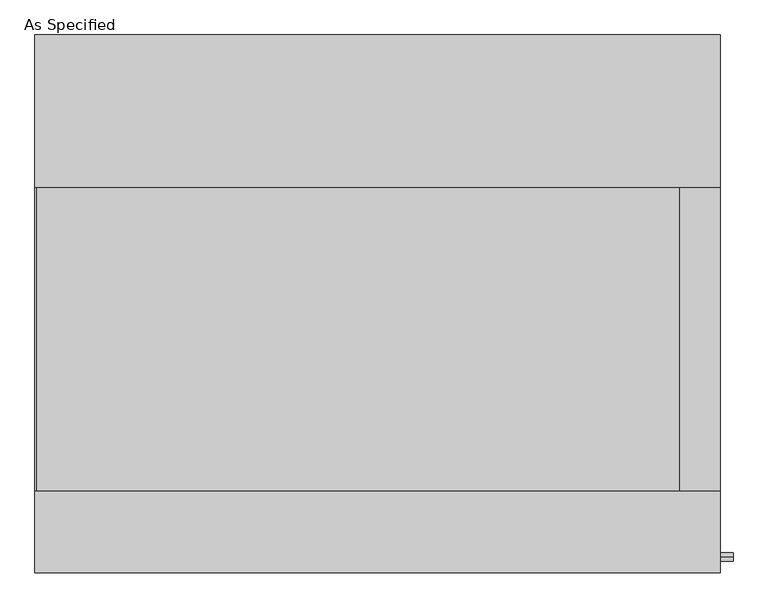
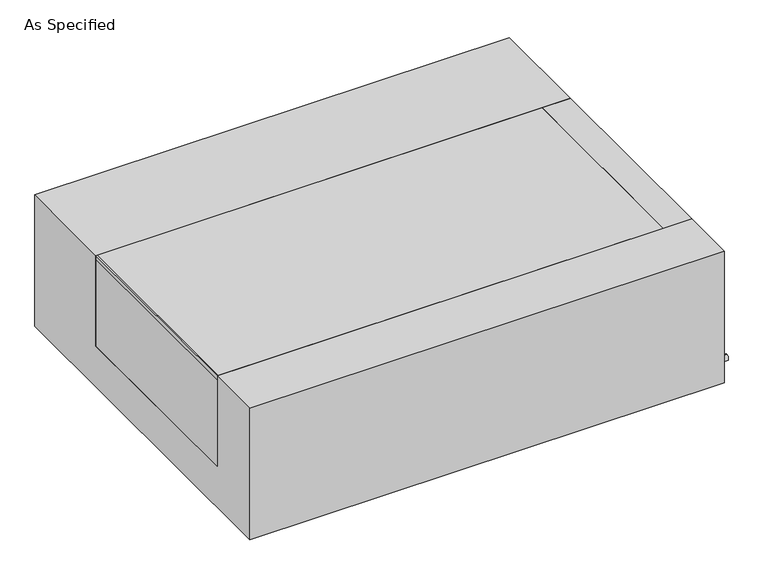
"""IFC4 building model written with IfcOpenShell, lengths in millimetres: proxy geometry, As Specified."""

from ifc_helpers import new_model, si_unit, point, frame, frame_2d, origin, place, context, project, spatial, polyline, circle_curve, trimmed, segment, composite_curve, outline, extrude, source, transform, mapped, element, save


def as_specified_a298c3b1(model_context):
    return source(origin(), model_context, "Body", "SweptSolid", [
        extrude(outline(composite_curve([segment(trimmed(circle_curve(frame_2d((-636.5875, -466.725)), 10.5), [point((-636.5875, -456.225))], [point((-636.5875, -477.225))], False, "CARTESIAN"), True, "CONTINUOUS"), segment(trimmed(circle_curve(frame_2d((-636.5875, -466.725)), 10.5), [point((-636.5875, -477.225))], [point((-636.5875, -456.225))], False, "CARTESIAN"), True, "CONTINUOUS")], self_intersect=False)), frame((862.0125, 0.0, 0.0), z_axis=(1.0, 0.0, 0.0), x_axis=(0.0, 1.0, 0.0)), (0.0, 0.0, 1.0), 31.8403384),
        extrude(outline(polyline([(759.61875, -469.9), (759.61875, 292.1), (862.0125, 292.1), (862.0125, -469.9), (759.61875, -469.9)])), frame((0.0, 0.0, -373.0625), z_axis=(0.0, 0.0, 1.0), x_axis=(1.0, 0.0, 0.0)), (0.0, 0.0, 1.0), 347.6625),
        extrude(outline(polyline([(-858.04375, -469.9), (-862.0125, -469.9), (-862.0125, 292.1), (-858.04375, 292.1), (-858.04375, -469.9)])), frame((0.0, 0.0, -39.6875), z_axis=(0.0, 0.0, 1.0), x_axis=(1.0, 0.0, 0.0)), (0.0, 0.0, 1.0), 14.2875),
        extrude(outline(polyline([(759.61875, 292.1), (759.61875, -469.9), (-862.0125, -469.9), (-862.0125, 292.1), (759.61875, 292.1)])), frame((0.0, 0.0, -373.0625), z_axis=(0.0, 0.0, 1.0), x_axis=(1.0, 0.0, 0.0)), (0.0, 0.0, 1.0), 347.6625),
        extrude(outline(polyline([(676.275, -25.4), (676.275, -530.225), (-676.275, -530.225), (-676.275, -25.4), (-469.9, -25.4), (-469.9, -373.0625), (292.1, -373.0625), (292.1, -25.4), (676.275, -25.4)])), frame((-862.0125, 0.0, 0.0), z_axis=(1.0, 0.0, 0.0), x_axis=(0.0, 1.0, 0.0)), (0.0, 0.0, 1.0), 1724.025),
    ])


if __name__ == "__main__":
    model = new_model("IFC4")
    model_context = context("Model", 3, world=origin())
    ifc_project = project(units=[si_unit("LENGTHUNIT", "METRE", prefix="MILLI")], contexts=[model_context])
    site = spatial("IfcSite", under=ifc_project)
    building = spatial("IfcBuilding", under=site)
    placement = place(None, origin())
    as_specified_shape = as_specified_a298c3b1(model_context)
    element("IfcBuildingElementProxy", 1, Name="As Specified", ObjectType="As Specified", at=placement, inside=building, context=model_context, shape_type="MappedRepresentation", body=[
        mapped(as_specified_shape, transform((0.0, 0.0, 0.0), x_axis=(1.0, 0.0, 0.0), y_axis=(0.0, 1.0, 0.0), z_axis=(0.0, 0.0, 1.0))),
    ])
    save(model, "model.ifc")
